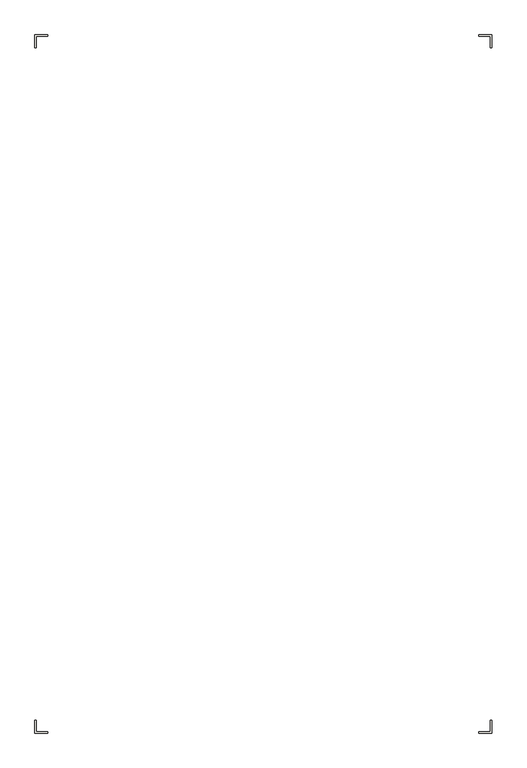
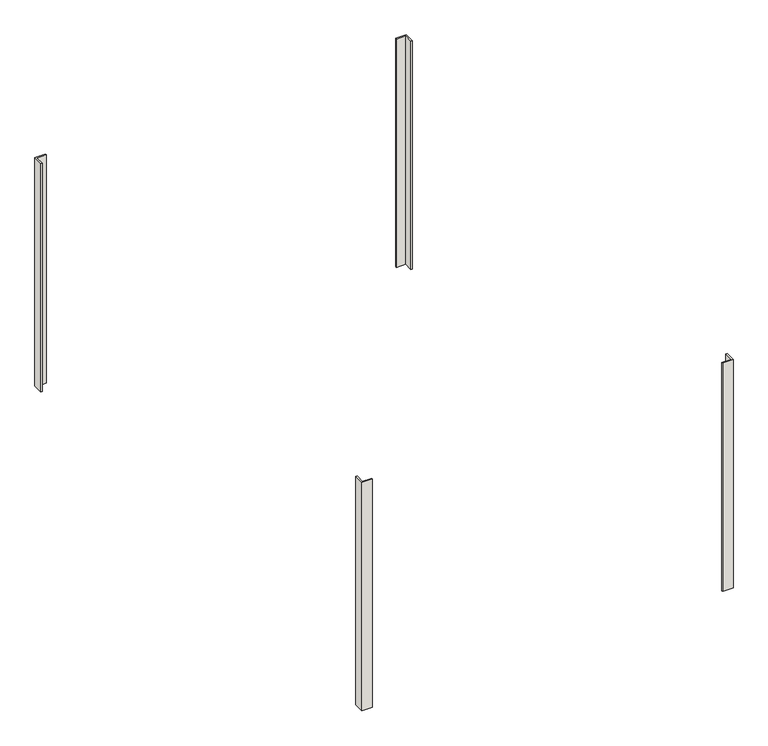
"""IFC4 building model written with IfcOpenShell, lengths in millimetres: wall geometry."""

from ifc_helpers import new_model, si_unit, frame, origin, place, context, project, spatial, polyline, outline, extrude, source, transform, mapped, element, save


def wall_2e9c060d(model_context):
    return source(origin(), model_context, "Body", "SweptSolid", [
        extrude(outline(polyline([(-599.0712027, 3612.0572584), (-611.7712027, 3612.0572584), (-611.7712027, 3726.3572584), (-497.4712027, 3726.3572584), (-497.4712027, 3713.6572584), (-599.0712027, 3713.6572584), (-599.0712027, 3612.0572584)])), frame((0.0, 0.0, 115.6083875), z_axis=(0.0, 0.0, 1.0), x_axis=(1.0, 0.0, 0.0)), (0.0, 0.0, 1.0), 2636.864714),
        extrude(outline(polyline([(3426.8287973, 3612.0572584), (3426.8287973, 3713.6572584), (3325.2287973, 3713.6572584), (3325.2287973, 3726.3572584), (3439.5287973, 3726.3572584), (3439.5287973, 3612.0572584), (3426.8287973, 3612.0572584)])), frame((0.0, 0.0, 115.6083875), z_axis=(0.0, 0.0, 1.0), x_axis=(1.0, 0.0, 0.0)), (0.0, 0.0, 1.0), 2636.864714),
        extrude(outline(polyline([(-599.0712027, -2344.2427416), (-599.0712027, -2445.8427416), (-497.4712027, -2445.8427416), (-497.4712027, -2458.5427416), (-611.7712027, -2458.5427416), (-611.7712027, -2344.2427416), (-599.0712027, -2344.2427416)])), frame((0.0, 0.0, 115.6083875), z_axis=(0.0, 0.0, 1.0), x_axis=(1.0, 0.0, 0.0)), (0.0, 0.0, 1.0), 2636.864714),
        extrude(outline(polyline([(3426.8287973, -2344.2427416), (3439.5287973, -2344.2427416), (3439.5287973, -2458.5427416), (3325.2287973, -2458.5427416), (3325.2287973, -2445.8427416), (3426.8287973, -2445.8427416), (3426.8287973, -2344.2427416)])), frame((0.0, 0.0, 115.6083875), z_axis=(0.0, 0.0, 1.0), x_axis=(1.0, 0.0, 0.0)), (0.0, 0.0, 1.0), 2636.864714),
    ])


if __name__ == "__main__":
    model = new_model("IFC4")
    model_context = context("Model", 3, world=origin())
    ifc_project = project(units=[si_unit("LENGTHUNIT", "METRE", prefix="MILLI")], contexts=[model_context])
    site = spatial("IfcSite", under=ifc_project)
    building = spatial("IfcBuilding", under=site)
    placement = place(None, origin())
    wall_shape = wall_2e9c060d(model_context)
    element("IfcWall", 1, at=placement, inside=building, context=model_context, shape_type="MappedRepresentation", body=[
        mapped(wall_shape, transform((0.0, 0.0, 0.0), x_axis=(1.0, 0.0, 0.0), y_axis=(0.0, 1.0, 0.0), z_axis=(0.0, 0.0, 1.0))),
    ])
    save(model, "model.ifc")
